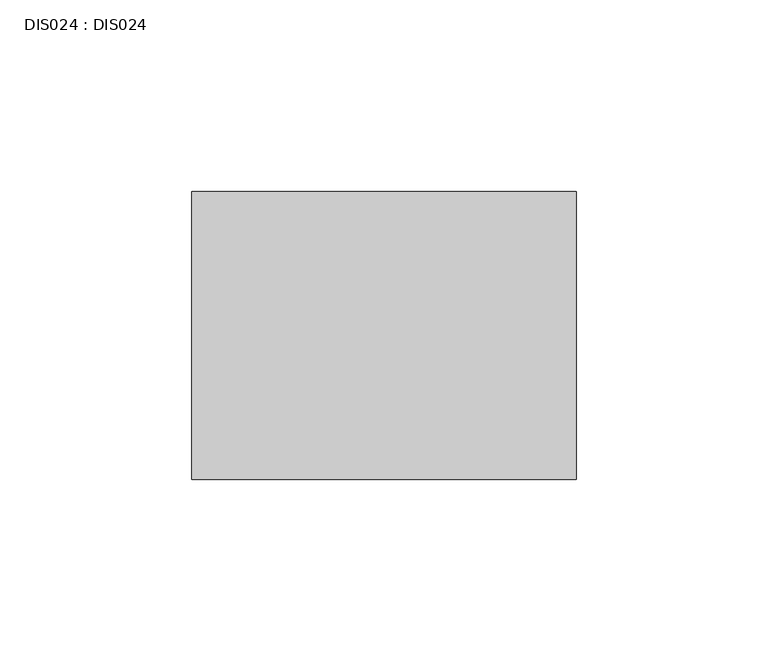
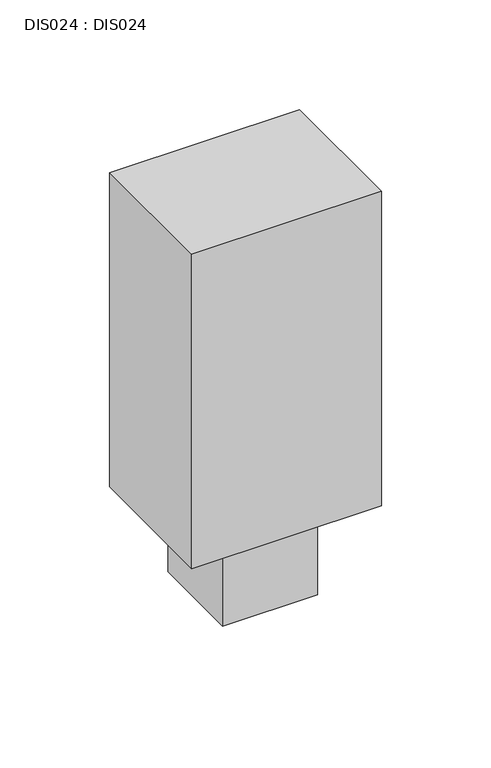
"""IFC4 building model written with IfcOpenShell, lengths in millimetres: proxy geometry, DIS024 : DIS024."""

import ifcopenshell
import ifcopenshell.guid

model = None  # the IFC model being written
_history = None  # IfcOwnerHistory: only IFC2X3 demands one
_inside = {}  # id of a spatial element -> (the spatial element, [elements in it])
_under = {}  # id of a project, library or spatial element -> (it, [spatial elements below it])
_declared = {}  # id of a project -> (the project, [libraries it declares])
_typed = {}  # id of a type object -> (the type object, [elements of that type])
_made_of = {}  # id of a material, layer set ... -> (it, [elements and type objects made of it])


def new_model(schema):
    """Start an empty IFC model of exactly this schema.

    Asked for "IFC4X3", IfcOpenShell would pick the latest addendum, in which some entities
    have other attributes; the version numbers below select the first issue.
    IFC2X3 requires an IfcOwnerHistory on every rooted entity: one is made here for all.
    """
    global model, _history
    if schema == "IFC4X3":
        model = ifcopenshell.file(schema_version=(4, 3, 0, 0))
    else:
        model = ifcopenshell.file(schema=schema)
    _inside.clear()
    _under.clear()
    _declared.clear()
    _typed.clear()
    _made_of.clear()
    _history = None
    if model.schema == "IFC2X3":
        org = make("IfcOrganization", Name="unknown")
        user = make(
            "IfcPersonAndOrganization",
            ThePerson=make("IfcPerson", FamilyName="unknown"),
            TheOrganization=org,
        )
        app = make(
            "IfcApplication",
            ApplicationDeveloper=org,
            Version="unknown",
            ApplicationFullName="unknown",
            ApplicationIdentifier="unknown",
        )
        _history = make(
            "IfcOwnerHistory",
            OwningUser=user,
            OwningApplication=app,
            ChangeAction="ADDED",
            CreationDate=0,
        )
    return model


def make(cls, **values):
    """One entity of the class cls with the attributes given. An attribute that is None is left unset."""
    return model.create_entity(
        cls, **{name: value for name, value in values.items() if value is not None}
    )


def rooted(cls, **values):
    """An entity with a GlobalId (a new one), such as an element, a storey or a relation."""
    return make(cls, GlobalId=ifcopenshell.guid.new(), OwnerHistory=_history, **values)


def si_unit(unit_type, name, prefix=None):
    """IfcSIUnit, for example si_unit("LENGTHUNIT", "METRE", prefix="MILLI")."""
    return make("IfcSIUnit", UnitType=unit_type, Prefix=prefix, Name=name)


def assignment(units):
    """IfcUnitAssignment: the units of a project."""
    return None if units is None else make("IfcUnitAssignment", Units=units)


def point(xyz):
    """IfcCartesianPoint."""
    return None if xyz is None else make("IfcCartesianPoint", Coordinates=xyz)


def direction(xyz):
    """IfcDirection."""
    return None if xyz is None else make("IfcDirection", DirectionRatios=xyz)


def frame(location, z_axis=None, x_axis=None):
    """IfcAxis2Placement3D, a coordinate frame: its origin and axes. An axis left out is left unset."""
    return make(
        "IfcAxis2Placement3D",
        Location=point(location),
        Axis=direction(z_axis),
        RefDirection=direction(x_axis),
    )


def origin():
    """The frame at (0, 0, 0) with its axes left unset."""
    return frame((0.0, 0.0, 0.0))


def origin_with_axes():
    """The frame at (0, 0, 0) with the z axis (0, 0, 1) and the x axis (1, 0, 0) written out."""
    return frame((0.0, 0.0, 0.0), z_axis=(0.0, 0.0, 1.0), x_axis=(1.0, 0.0, 0.0))


def place(relative_to, where):
    """IfcLocalPlacement: puts the frame where relative to a parent placement (None: the world)."""
    return make(
        "IfcLocalPlacement", PlacementRelTo=relative_to, RelativePlacement=where
    )


def context(
    kind, dimensions, precision=None, world=None, true_north=None, identifier=None
):
    """IfcGeometricRepresentationContext, for example the 3D "Model" context."""
    return make(
        "IfcGeometricRepresentationContext",
        ContextIdentifier=identifier,
        ContextType=kind,
        CoordinateSpaceDimension=dimensions,
        Precision=precision,
        WorldCoordinateSystem=world,
        TrueNorth=true_north,
    )


def project(units=None, contexts=None):
    """IfcProject with its units and contexts."""
    return rooted(
        "IfcProject",
        Name="project",
        RepresentationContexts=contexts,
        UnitsInContext=assignment(units),
    )


def spatial(cls, under=None, at=None, **own):
    """A site, building, storey or space (cls), placed at a placement, below another one or the project."""
    s = rooted(cls, ObjectPlacement=at, **own)
    if under is not None:
        _under.setdefault(under.id(), (under, []))[1].append(s)
    return s


def polyline(points):
    """IfcPolyline through the points."""
    return make("IfcPolyline", Points=[point(p) for p in points])


def outline(outer, holes=None, kind="AREA"):
    """IfcArbitraryClosedProfileDef: a profile drawn as a closed curve; with holes, ...WithVoids."""
    if holes is None:
        return make("IfcArbitraryClosedProfileDef", ProfileType=kind, OuterCurve=outer)
    return make(
        "IfcArbitraryProfileDefWithVoids",
        ProfileType=kind,
        OuterCurve=outer,
        InnerCurves=holes,
    )


def extrude(swept, where, along, depth):
    """IfcExtrudedAreaSolid: the profile swept, set in the frame where, extruded along a direction by depth."""
    return make(
        "IfcExtrudedAreaSolid",
        SweptArea=swept,
        Position=where,
        ExtrudedDirection=direction(along),
        Depth=depth,
    )


def shape(context_of_items, identifier, shape_type, items):
    """IfcShapeRepresentation: the items that make up one representation, for example the "Body"."""
    return make(
        "IfcShapeRepresentation",
        ContextOfItems=context_of_items,
        RepresentationIdentifier=identifier,
        RepresentationType=shape_type,
        Items=items,
    )


def source(mapping_origin, context_of_items, identifier, shape_type, items):
    """IfcRepresentationMap: a shape defined once, which mapped items show again and again."""
    return make(
        "IfcRepresentationMap",
        MappingOrigin=mapping_origin,
        MappedRepresentation=shape(context_of_items, identifier, shape_type, items),
    )


def transform(
    local_origin,
    x_axis=None,
    y_axis=None,
    z_axis=None,
    scale=None,
    scale2=None,
    scale3=None,
    uniform=True,
):
    """IfcCartesianTransformationOperator3D, or its non-uniform kind. x_axis, y_axis, z_axis: its Axis1, 2, 3."""
    if uniform:
        return make(
            "IfcCartesianTransformationOperator3D",
            Axis1=direction(x_axis),
            Axis2=direction(y_axis),
            LocalOrigin=point(local_origin),
            Scale=scale,
            Axis3=direction(z_axis),
        )
    return make(
        "IfcCartesianTransformationOperator3DnonUniform",
        Axis1=direction(x_axis),
        Axis2=direction(y_axis),
        LocalOrigin=point(local_origin),
        Scale=scale,
        Axis3=direction(z_axis),
        Scale2=scale2,
        Scale3=scale3,
    )


def mapped(mapping_source, mapping_target):
    """IfcMappedItem: shows the shape of a source again, moved by a transform."""
    return make(
        "IfcMappedItem", MappingSource=mapping_source, MappingTarget=mapping_target
    )


def made_of(thing, what):
    """Note that an element or type object is made of a material, layer set ...; save() writes the relation."""
    if what is not None:
        _made_of.setdefault(what.id(), (what, []))[1].append(thing)
    return thing


def element(
    cls,
    number,
    at=None,
    inside=None,
    cuts=None,
    type_object=None,
    material=None,
    context=None,
    identifier="Body",
    shape_type=None,
    held_by="IfcProductDefinitionShape",
    body=None,
    shapes=None,
    **own,
):
    """One element of the class cls, such as IfcWall. Its Tag is "e" and its number.

    at: its placement. inside: the storey or other place that contains it. cuts: it is an
    opening in that element (IfcRelVoidsElement). A single representation is given by context,
    identifier, shape_type and body (its items); several are given by shapes. held_by: the class
    of the entity that holds the representations. save() writes the other relations.
    """
    e = rooted(cls, Tag="e%d" % number, ObjectPlacement=at, **own)
    if body is not None:
        shapes = [shape(context, identifier, shape_type, body)]
    if shapes is not None:
        e.Representation = make(held_by, Representations=shapes)
    if inside is not None:
        _inside.setdefault(inside.id(), (inside, []))[1].append(e)
    if cuts is not None:
        rooted(
            "IfcRelVoidsElement", RelatingBuildingElement=cuts, RelatedOpeningElement=e
        )
    if type_object is not None:
        _typed.setdefault(type_object.id(), (type_object, []))[1].append(e)
    return made_of(e, material)


def aggregate(whole, parts):
    """IfcRelAggregates: a whole, such as a stair, and the parts it consists of."""
    return rooted("IfcRelAggregates", RelatingObject=whole, RelatedObjects=parts)


def save(model, path):
    """Write the relations noted so far, then the file.

    IfcRelAggregates (storeys below a building ...), IfcRelContainedInSpatialStructure (elements
    in a storey), IfcRelDefinesByType, IfcRelAssociatesMaterial and IfcRelDeclares: one each for
    every whole, place, type object, material and project.
    """
    for whole, parts in _under.values():
        aggregate(whole, parts)
    for where, things in _inside.values():
        rooted(
            "IfcRelContainedInSpatialStructure",
            RelatedElements=things,
            RelatingStructure=where,
        )
    for kind, things in _typed.values():
        rooted("IfcRelDefinesByType", RelatedObjects=things, RelatingType=kind)
    for what, things in _made_of.values():
        rooted("IfcRelAssociatesMaterial", RelatedObjects=things, RelatingMaterial=what)
    for by, libraries in _declared.values():
        rooted("IfcRelDeclares", RelatingContext=by, RelatedDefinitions=libraries)
    model.write(path)


def dis024_dis024_400ab31b(model_context):
    return source(origin(), model_context, "Body", "SweptSolid", [
        extrude(outline(polyline([(50.0000004, -75.0000006), (-50.0000004, -75.0000006), (-50.0000004, 0.0), (50.0000004, 0.0), (50.0000004, -75.0000006)])), frame((0.0, 0.0, 50.0000004), z_axis=(0.0, 0.0, 1.0), x_axis=(1.0, 0.0, 0.0)), (0.0, 0.0, 1.0), 175.0000013),
        extrude(outline(polyline([(25.0000002, -10.0000005), (25.0000002, -59.9999986), (-25.0000002, -59.9999986), (-25.0000002, -10.0000005), (25.0000002, -10.0000005)])), origin_with_axes(), (0.0, 0.0, 1.0), 50.0000004),
    ])


if __name__ == "__main__":
    model = new_model("IFC4")
    model_context = context("Model", 3, world=origin())
    ifc_project = project(units=[si_unit("LENGTHUNIT", "METRE", prefix="MILLI")], contexts=[model_context])
    site = spatial("IfcSite", under=ifc_project)
    building = spatial("IfcBuilding", under=site)
    placement = place(None, origin())
    dis024_dis024_shape = dis024_dis024_400ab31b(model_context)
    element("IfcBuildingElementProxy", 1, Name="DIS024 : DIS024", ObjectType="DIS024 : DIS024", at=placement, inside=building, context=model_context, shape_type="MappedRepresentation", body=[
        mapped(dis024_dis024_shape, transform((0.0, 0.0, 0.0), x_axis=(1.0, 0.0, 0.0), y_axis=(0.0, 1.0, 0.0), z_axis=(0.0, 0.0, 1.0))),
    ])
    save(model, "model.ifc")
